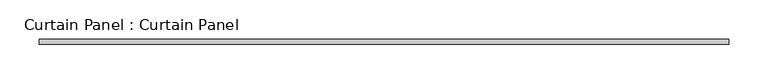
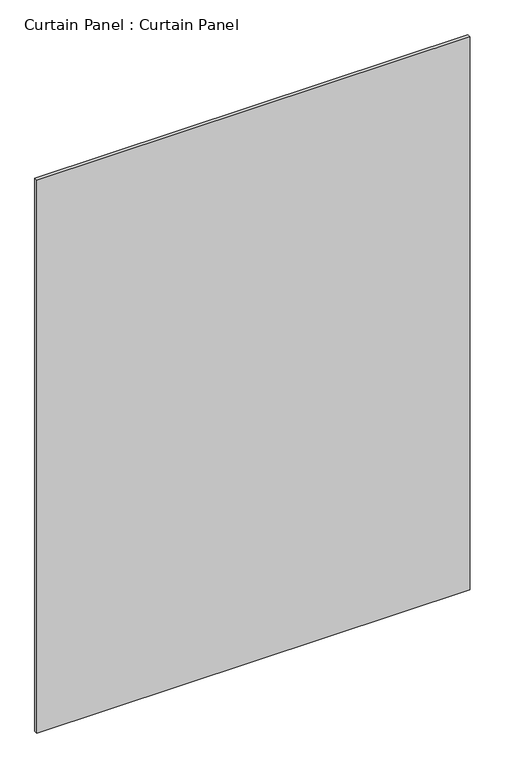
"""IFC4 building model written with IfcOpenShell, lengths in millimetres: plate geometry, Curtain Panel : Curtain Panel."""

from ifc_helpers import new_model, si_unit, frame, origin, place, context, project, spatial, polyline, outline, extrude, source, transform, mapped, element, save


def curtain_panel_curtain_panel_8b7c8d6f(model_context):
    return source(origin(), model_context, "Body", "SweptSolid", [
        extrude(outline(polyline([(-29452.9378439, -2014.0258286), (-30330.8634439, -2014.0258286), (-30330.8634439, -2007.6758286), (-29452.9378439, -2007.6758286), (-29452.9378439, -2014.0258286)])), frame((0.0, 0.0, 1230.8448793), z_axis=(0.0, 0.0, 1.0), x_axis=(1.0, 0.0, 0.0)), (0.0, 0.0, 1.0), 1183.7807207),
    ])


if __name__ == "__main__":
    model = new_model("IFC4")
    model_context = context("Model", 3, world=origin())
    ifc_project = project(units=[si_unit("LENGTHUNIT", "METRE", prefix="MILLI")], contexts=[model_context])
    site = spatial("IfcSite", under=ifc_project)
    building = spatial("IfcBuilding", under=site)
    placement = place(None, origin())
    curtain_panel_curtain_panel_shape = curtain_panel_curtain_panel_8b7c8d6f(model_context)
    element("IfcPlate", 1, ObjectType="Curtain Panel : Curtain Panel", at=placement, inside=building, context=model_context, shape_type="MappedRepresentation", body=[
        mapped(curtain_panel_curtain_panel_shape, transform((0.0, 0.0, 0.0), x_axis=(1.0, 0.0, 0.0), y_axis=(0.0, 1.0, 0.0), z_axis=(0.0, 0.0, 1.0))),
    ])
    save(model, "model.ifc")
